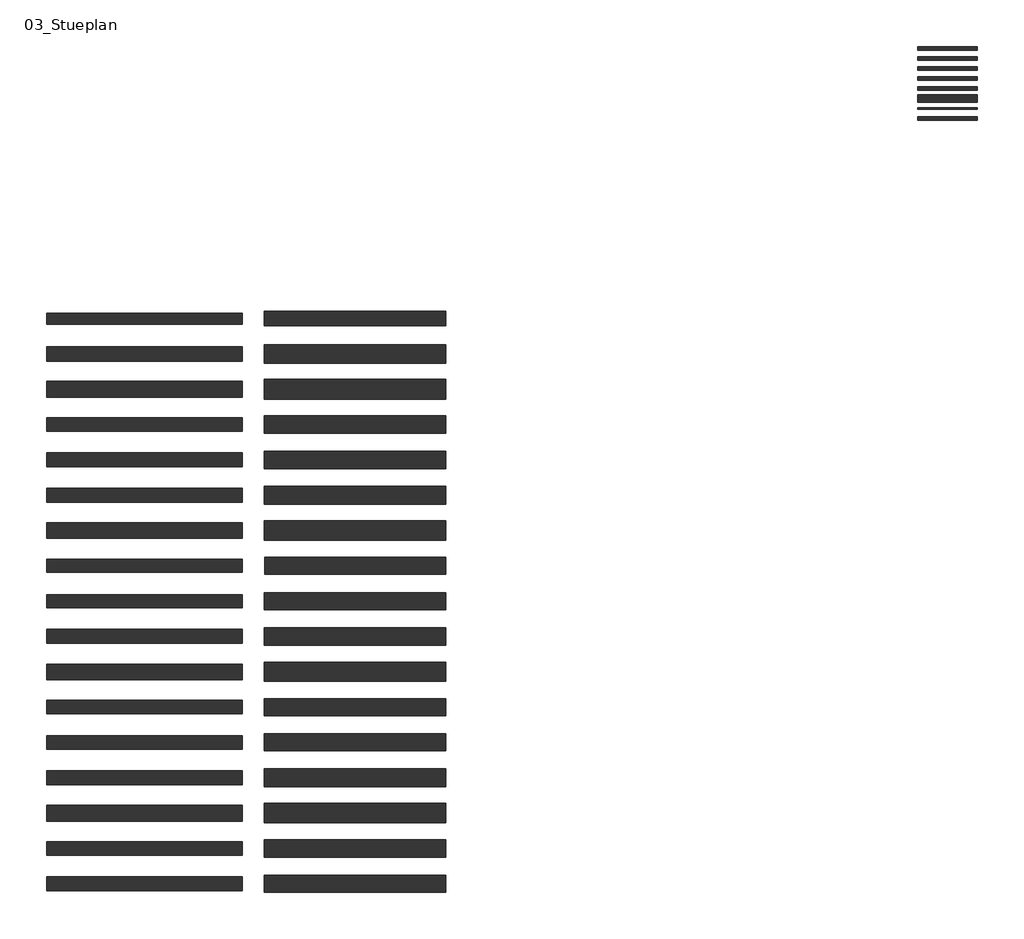
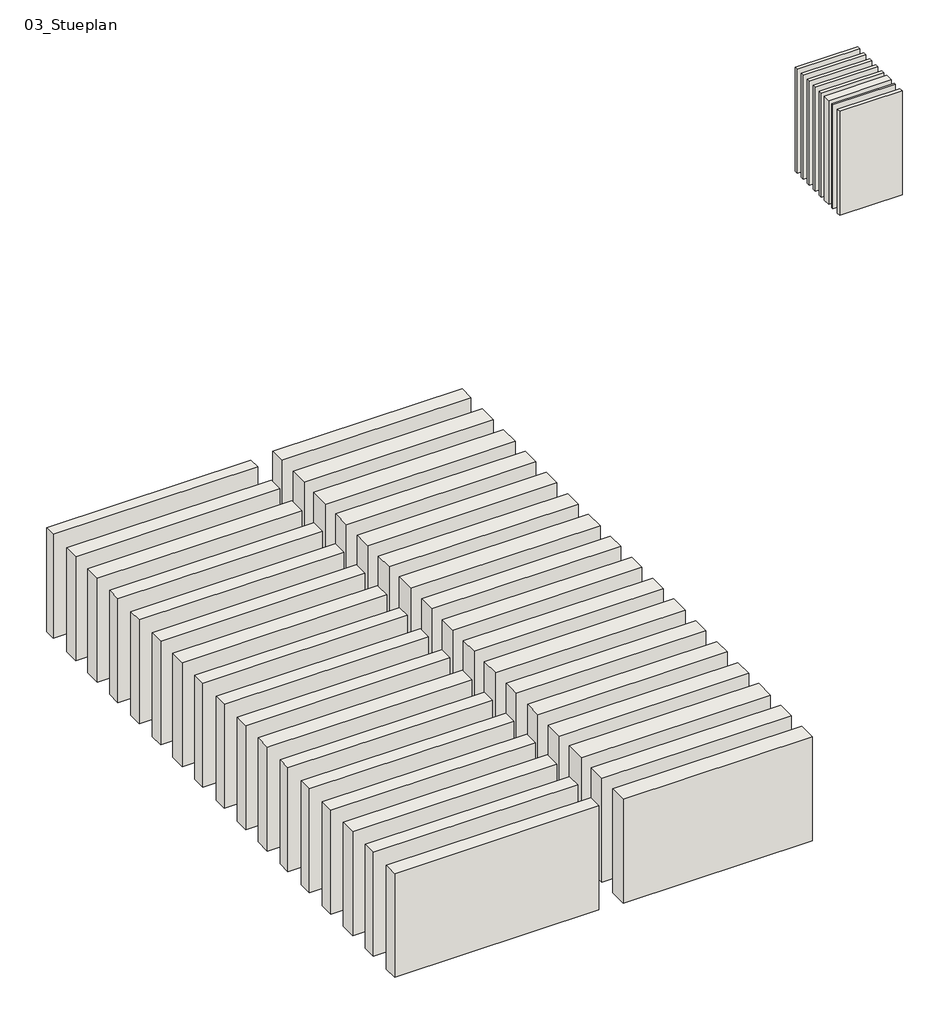
# One storey: 42 walls.
"""IFC4 building model written with IfcOpenShell, lengths in millimetres."""

from ifc_helpers import new_model, si_unit, frame, origin, place, context, project, spatial, polyline, outline, extrude, element, save

model = new_model("IFC4")

# Units and contexts
model_context = context("Model", 3, world=origin())
ifc_project = project(units=[si_unit("LENGTHUNIT", "METRE", prefix="MILLI")], contexts=[model_context])

# Site, building, storey
site = spatial("IfcSite", under=ifc_project)
building = spatial("IfcBuilding", under=site)
storey = spatial("IfcBuildingStorey", under=building, Name="03_Stueplan", Elevation=150.0)

# Walls
placement = place(None, origin())
element("IfcWall", 1, at=placement, inside=storey, context=model_context, shape_type="SweptSolid", body=[
    extrude(outline(polyline([(1547.7783373, 8787.9329967), (-3752.2216627, 8787.9329967), (-3752.2216627, 9184.9329967), (1547.7783373, 9184.9329967), (1547.7783373, 8787.9329967)])), frame((0.0, 0.0, 150.0), z_axis=(0.0, 0.0, 1.0), x_axis=(1.0, 0.0, 0.0)), (0.0, 0.0, 1.0), 2850.0),
])
element("IfcWall", 2, at=placement, inside=storey, context=model_context, shape_type="SweptSolid", body=[
    extrude(outline(polyline([(1547.7783373, 7812.1329967), (-3752.2216627, 7812.1329967), (-3752.2216627, 8248.1329967), (1547.7783373, 8248.1329967), (1547.7783373, 7812.1329967)])), frame((0.0, 0.0, 150.0), z_axis=(0.0, 0.0, 1.0), x_axis=(1.0, 0.0, 0.0)), (0.0, 0.0, 1.0), 2850.0),
])
element("IfcWall", 3, at=placement, inside=storey, context=model_context, shape_type="SweptSolid", body=[
    extrude(outline(polyline([(1547.7783373, 5929.5329967), (-3752.2216627, 5929.5329967), (-3752.2216627, 6305.5329967), (1547.7783373, 6305.5329967), (1547.7783373, 5929.5329967)])), frame((0.0, 0.0, 150.0), z_axis=(0.0, 0.0, 1.0), x_axis=(1.0, 0.0, 0.0)), (0.0, 0.0, 1.0), 2850.0),
])
element("IfcWall", 4, at=placement, inside=storey, context=model_context, shape_type="SweptSolid", body=[
    extrude(outline(polyline([(1547.7783373, 6885.8329967), (-3752.2216627, 6885.8329967), (-3752.2216627, 7261.8329967), (1547.7783373, 7261.8329967), (1547.7783373, 6885.8329967)])), frame((0.0, 0.0, 150.0), z_axis=(0.0, 0.0, 1.0), x_axis=(1.0, 0.0, 0.0)), (0.0, 0.0, 1.0), 2850.0),
])
element("IfcWall", 5, at=placement, inside=storey, context=model_context, shape_type="SweptSolid", body=[
    extrude(outline(polyline([(1547.7783373, 4971.4829967), (-3752.2216627, 4971.4829967), (-3752.2216627, 5350.9829967), (1547.7783373, 5350.9829967), (1547.7783373, 4971.4829967)])), frame((0.0, 0.0, 150.0), z_axis=(0.0, 0.0, 1.0), x_axis=(1.0, 0.0, 0.0)), (0.0, 0.0, 1.0), 2850.0),
])
element("IfcWall", 6, at=placement, inside=storey, context=model_context, shape_type="SweptSolid", body=[
    extrude(outline(polyline([(1547.7783373, 3995.6829967), (-3752.2216627, 3995.6829967), (-3752.2216627, 4414.1829967), (1547.7783373, 4414.1829967), (1547.7783373, 3995.6829967)])), frame((0.0, 0.0, 150.0), z_axis=(0.0, 0.0, 1.0), x_axis=(1.0, 0.0, 0.0)), (0.0, 0.0, 1.0), 2850.0),
])
element("IfcWall", 7, at=placement, inside=storey, context=model_context, shape_type="SweptSolid", body=[
    extrude(outline(polyline([(1547.7783373, 2113.0829967), (-3752.2216627, 2113.0829967), (-3752.2216627, 2471.5829967), (1547.7783373, 2471.5829967), (1547.7783373, 2113.0829967)])), frame((0.0, 0.0, 150.0), z_axis=(0.0, 0.0, 1.0), x_axis=(1.0, 0.0, 0.0)), (0.0, 0.0, 1.0), 2850.0),
])
element("IfcWall", 8, at=placement, inside=storey, context=model_context, shape_type="SweptSolid", body=[
    extrude(outline(polyline([(1547.7783373, 3069.3829967), (-3752.2216627, 3069.3829967), (-3752.2216627, 3427.8829967), (1547.7783373, 3427.8829967), (1547.7783373, 3069.3829967)])), frame((0.0, 0.0, 150.0), z_axis=(0.0, 0.0, 1.0), x_axis=(1.0, 0.0, 0.0)), (0.0, 0.0, 1.0), 2850.0),
])
element("IfcWall", 9, at=placement, inside=storey, context=model_context, shape_type="SweptSolid", body=[
    extrude(outline(polyline([(1547.7783373, 1146.2829967), (-3752.2216627, 1146.2829967), (-3752.2216627, 1525.7829967), (1547.7783373, 1525.7829967), (1547.7783373, 1146.2829967)])), frame((0.0, 0.0, 150.0), z_axis=(0.0, 0.0, 1.0), x_axis=(1.0, 0.0, 0.0)), (0.0, 0.0, 1.0), 2850.0),
])
element("IfcWall", 10, at=placement, inside=storey, context=model_context, shape_type="SweptSolid", body=[
    extrude(outline(polyline([(1547.7783373, 170.4829967), (-3752.2216627, 170.4829967), (-3752.2216627, 588.9829967), (1547.7783373, 588.9829967), (1547.7783373, 170.4829967)])), frame((0.0, 0.0, 150.0), z_axis=(0.0, 0.0, 1.0), x_axis=(1.0, 0.0, 0.0)), (0.0, 0.0, 1.0), 2850.0),
])
element("IfcWall", 11, at=placement, inside=storey, context=model_context, shape_type="SweptSolid", body=[
    extrude(outline(polyline([(1547.7783373, -1712.1170033), (-3752.2216627, -1712.1170033), (-3752.2216627, -1353.6170033), (1547.7783373, -1353.6170033), (1547.7783373, -1712.1170033)])), frame((0.0, 0.0, 150.0), z_axis=(0.0, 0.0, 1.0), x_axis=(1.0, 0.0, 0.0)), (0.0, 0.0, 1.0), 2850.0),
])
element("IfcWall", 12, at=placement, inside=storey, context=model_context, shape_type="SweptSolid", body=[
    extrude(outline(polyline([(1547.7783373, -755.8170033), (-3752.2216627, -755.8170033), (-3752.2216627, -397.3170033), (1547.7783373, -397.3170033), (1547.7783373, -755.8170033)])), frame((0.0, 0.0, 150.0), z_axis=(0.0, 0.0, 1.0), x_axis=(1.0, 0.0, 0.0)), (0.0, 0.0, 1.0), 2850.0),
])
element("IfcWall", 13, at=placement, inside=storey, context=model_context, shape_type="SweptSolid", body=[
    extrude(outline(polyline([(1547.7783373, -2685.1670033), (-3752.2216627, -2685.1670033), (-3752.2216627, -2293.1670033), (1547.7783373, -2293.1670033), (1547.7783373, -2685.1670033)])), frame((0.0, 0.0, 150.0), z_axis=(0.0, 0.0, 1.0), x_axis=(1.0, 0.0, 0.0)), (0.0, 0.0, 1.0), 2850.0),
])
element("IfcWall", 14, at=placement, inside=storey, context=model_context, shape_type="SweptSolid", body=[
    extrude(outline(polyline([(1547.7783373, -3660.9670033), (-3752.2216627, -3660.9670033), (-3752.2216627, -3229.9670033), (1547.7783373, -3229.9670033), (1547.7783373, -3660.9670033)])), frame((0.0, 0.0, 150.0), z_axis=(0.0, 0.0, 1.0), x_axis=(1.0, 0.0, 0.0)), (0.0, 0.0, 1.0), 2850.0),
])
element("IfcWall", 15, at=placement, inside=storey, context=model_context, shape_type="SweptSolid", body=[
    extrude(outline(polyline([(1547.7783373, -5543.5670033), (-3752.2216627, -5543.5670033), (-3752.2216627, -5172.5670033), (1547.7783373, -5172.5670033), (1547.7783373, -5543.5670033)])), frame((0.0, 0.0, 150.0), z_axis=(0.0, 0.0, 1.0), x_axis=(1.0, 0.0, 0.0)), (0.0, 0.0, 1.0), 2850.0),
])
element("IfcWall", 16, at=placement, inside=storey, context=model_context, shape_type="SweptSolid", body=[
    extrude(outline(polyline([(1547.7783373, -4587.2670033), (-3752.2216627, -4587.2670033), (-3752.2216627, -4216.2670033), (1547.7783373, -4216.2670033), (1547.7783373, -4587.2670033)])), frame((0.0, 0.0, 150.0), z_axis=(0.0, 0.0, 1.0), x_axis=(1.0, 0.0, 0.0)), (0.0, 0.0, 1.0), 2850.0),
])
element("IfcWall", 17, at=placement, inside=storey, context=model_context, shape_type="SweptSolid", body=[
    extrude(outline(polyline([(7056.4546722, 8737.9329967), (2146.4546722, 8737.9329967), (2146.4546722, 9234.9329967), (7056.4546722, 9234.9329967), (7056.4546722, 8737.9329967)])), frame((0.0, 0.0, 150.0), z_axis=(0.0, 0.0, 1.0), x_axis=(1.0, 0.0, 0.0)), (0.0, 0.0, 1.0), 2850.0),
])
element("IfcWall", 18, at=placement, inside=storey, context=model_context, shape_type="SweptSolid", body=[
    extrude(outline(polyline([(7056.4546722, 7762.1329967), (2146.4546722, 7762.1329967), (2146.4546722, 8298.1329967), (7056.4546722, 8298.1329967), (7056.4546722, 7762.1329967)])), frame((0.0, 0.0, 150.0), z_axis=(0.0, 0.0, 1.0), x_axis=(1.0, 0.0, 0.0)), (0.0, 0.0, 1.0), 2850.0),
])
element("IfcWall", 19, at=placement, inside=storey, context=model_context, shape_type="SweptSolid", body=[
    extrude(outline(polyline([(7056.4546722, 5879.5329967), (2146.4546722, 5879.5329967), (2146.4546722, 6355.5329967), (7056.4546722, 6355.5329967), (7056.4546722, 5879.5329967)])), frame((0.0, 0.0, 150.0), z_axis=(0.0, 0.0, 1.0), x_axis=(1.0, 0.0, 0.0)), (0.0, 0.0, 1.0), 2850.0),
])
element("IfcWall", 20, at=placement, inside=storey, context=model_context, shape_type="SweptSolid", body=[
    extrude(outline(polyline([(7056.4546722, 6835.8329967), (2146.4546722, 6835.8329967), (2146.4546722, 7311.8329967), (7056.4546722, 7311.8329967), (7056.4546722, 6835.8329967)])), frame((0.0, 0.0, 150.0), z_axis=(0.0, 0.0, 1.0), x_axis=(1.0, 0.0, 0.0)), (0.0, 0.0, 1.0), 2850.0),
])
element("IfcWall", 21, at=placement, inside=storey, context=model_context, shape_type="SweptSolid", body=[
    extrude(outline(polyline([(7056.4546722, 4921.4829967), (2146.4546722, 4921.4829967), (2146.4546722, 5400.9829967), (7056.4546722, 5400.9829967), (7056.4546722, 4921.4829967)])), frame((0.0, 0.0, 150.0), z_axis=(0.0, 0.0, 1.0), x_axis=(1.0, 0.0, 0.0)), (0.0, 0.0, 1.0), 2850.0),
])
element("IfcWall", 22, at=placement, inside=storey, context=model_context, shape_type="SweptSolid", body=[
    extrude(outline(polyline([(7056.4546722, 3945.6829967), (2146.4546722, 3945.6829967), (2146.4546722, 4464.1829967), (7056.4546722, 4464.1829967), (7056.4546722, 3945.6829967)])), frame((0.0, 0.0, 150.0), z_axis=(0.0, 0.0, 1.0), x_axis=(1.0, 0.0, 0.0)), (0.0, 0.0, 1.0), 2850.0),
])
element("IfcWall", 23, at=placement, inside=storey, context=model_context, shape_type="SweptSolid", body=[
    extrude(outline(polyline([(7056.4546722, 2063.0829967), (2146.4546722, 2063.0829967), (2146.4546722, 2521.5829967), (7056.4546722, 2521.5829967), (7056.4546722, 2063.0829967)])), frame((0.0, 0.0, 150.0), z_axis=(0.0, 0.0, 1.0), x_axis=(1.0, 0.0, 0.0)), (0.0, 0.0, 1.0), 2850.0),
])
element("IfcWall", 24, at=placement, inside=storey, context=model_context, shape_type="SweptSolid", body=[
    extrude(outline(polyline([(7056.4546722, 3019.3829967), (2156.4546722, 3019.3829967), (2156.4546722, 3477.8829967), (7056.4546722, 3477.8829967), (7056.4546722, 3019.3829967)])), frame((0.0, 0.0, 150.0), z_axis=(0.0, 0.0, 1.0), x_axis=(1.0, 0.0, 0.0)), (0.0, 0.0, 1.0), 2850.0),
])
element("IfcWall", 25, at=placement, inside=storey, context=model_context, shape_type="SweptSolid", body=[
    extrude(outline(polyline([(7056.4546722, 1096.2829967), (2146.4546722, 1096.2829967), (2146.4546722, 1575.7829967), (7056.4546722, 1575.7829967), (7056.4546722, 1096.2829967)])), frame((0.0, 0.0, 150.0), z_axis=(0.0, 0.0, 1.0), x_axis=(1.0, 0.0, 0.0)), (0.0, 0.0, 1.0), 2850.0),
])
element("IfcWall", 26, at=placement, inside=storey, context=model_context, shape_type="SweptSolid", body=[
    extrude(outline(polyline([(7056.4546722, 120.4829967), (2146.4546722, 120.4829967), (2146.4546722, 638.9829967), (7056.4546722, 638.9829967), (7056.4546722, 120.4829967)])), frame((0.0, 0.0, 150.0), z_axis=(0.0, 0.0, 1.0), x_axis=(1.0, 0.0, 0.0)), (0.0, 0.0, 1.0), 2850.0),
])
element("IfcWall", 27, at=placement, inside=storey, context=model_context, shape_type="SweptSolid", body=[
    extrude(outline(polyline([(7056.4546722, -1762.1170033), (2146.4546722, -1762.1170033), (2146.4546722, -1303.6170033), (7056.4546722, -1303.6170033), (7056.4546722, -1762.1170033)])), frame((0.0, 0.0, 150.0), z_axis=(0.0, 0.0, 1.0), x_axis=(1.0, 0.0, 0.0)), (0.0, 0.0, 1.0), 2850.0),
])
element("IfcWall", 28, at=placement, inside=storey, context=model_context, shape_type="SweptSolid", body=[
    extrude(outline(polyline([(7056.4546722, -805.8170033), (2146.4546722, -805.8170033), (2146.4546722, -347.3170033), (7056.4546722, -347.3170033), (7056.4546722, -805.8170033)])), frame((0.0, 0.0, 150.0), z_axis=(0.0, 0.0, 1.0), x_axis=(1.0, 0.0, 0.0)), (0.0, 0.0, 1.0), 2850.0),
])
element("IfcWall", 29, at=placement, inside=storey, context=model_context, shape_type="SweptSolid", body=[
    extrude(outline(polyline([(7056.4546722, -2735.1670033), (2146.4546722, -2735.1670033), (2146.4546722, -2243.1670033), (7056.4546722, -2243.1670033), (7056.4546722, -2735.1670033)])), frame((0.0, 0.0, 150.0), z_axis=(0.0, 0.0, 1.0), x_axis=(1.0, 0.0, 0.0)), (0.0, 0.0, 1.0), 2850.0),
])
element("IfcWall", 30, at=placement, inside=storey, context=model_context, shape_type="SweptSolid", body=[
    extrude(outline(polyline([(7056.4546722, -3710.9670033), (2146.4546722, -3710.9670033), (2146.4546722, -3179.9670033), (7056.4546722, -3179.9670033), (7056.4546722, -3710.9670033)])), frame((0.0, 0.0, 150.0), z_axis=(0.0, 0.0, 1.0), x_axis=(1.0, 0.0, 0.0)), (0.0, 0.0, 1.0), 2850.0),
])
element("IfcWall", 31, at=placement, inside=storey, context=model_context, shape_type="SweptSolid", body=[
    extrude(outline(polyline([(7056.4546722, -5593.5670033), (2146.4546722, -5593.5670033), (2146.4546722, -5122.5670033), (7056.4546722, -5122.5670033), (7056.4546722, -5593.5670033)])), frame((0.0, 0.0, 150.0), z_axis=(0.0, 0.0, 1.0), x_axis=(1.0, 0.0, 0.0)), (0.0, 0.0, 1.0), 2850.0),
])
element("IfcWall", 32, at=placement, inside=storey, context=model_context, shape_type="SweptSolid", body=[
    extrude(outline(polyline([(7056.4546722, -4637.2670033), (2146.4546722, -4637.2670033), (2146.4546722, -4166.2670033), (7056.4546722, -4166.2670033), (7056.4546722, -4637.2670033)])), frame((0.0, 0.0, 150.0), z_axis=(0.0, 0.0, 1.0), x_axis=(1.0, 0.0, 0.0)), (0.0, 0.0, 1.0), 2850.0),
])
element("IfcWall", 33, at=placement, inside=storey, context=model_context, shape_type="SweptSolid", body=[
    extrude(outline(polyline([(21450.9393398, 16936.0774961), (19830.9393398, 16936.0774961), (19830.9393398, 17036.0774961), (21450.9393398, 17036.0774961), (21450.9393398, 16936.0774961)])), frame((0.0, 0.0, 150.0), z_axis=(0.0, 0.0, 1.0), x_axis=(1.0, 0.0, 0.0)), (0.0, 0.0, 1.0), 2850.0),
])
element("IfcWall", 34, at=placement, inside=storey, context=model_context, shape_type="SweptSolid", body=[
    extrude(outline(polyline([(21450.9393398, 15800.3632104), (19830.9393398, 15800.3632104), (19830.9393398, 16000.3632104), (21450.9393398, 16000.3632104), (21450.9393398, 15800.3632104)])), frame((0.0, 0.0, 150.0), z_axis=(0.0, 0.0, 1.0), x_axis=(1.0, 0.0, 0.0)), (0.0, 0.0, 1.0), 2850.0),
])
element("IfcWall", 35, at=placement, inside=storey, context=model_context, shape_type="SweptSolid", body=[
    extrude(outline(polyline([(21450.9393398, 15307.5060676), (19830.9393398, 15307.5060676), (19830.9393398, 15407.5060676), (21450.9393398, 15407.5060676), (21450.9393398, 15307.5060676)])), frame((0.0, 0.0, 150.0), z_axis=(0.0, 0.0, 1.0), x_axis=(1.0, 0.0, 0.0)), (0.0, 0.0, 1.0), 2850.0),
])
element("IfcWall", 36, at=placement, inside=storey, context=model_context, shape_type="SweptSolid", body=[
    extrude(outline(polyline([(1547.7783373, 9792.4329967), (-3752.2216627, 9792.4329967), (-3752.2216627, 10092.4329967), (1547.7783373, 10092.4329967), (1547.7783373, 9792.4329967)])), frame((0.0, 0.0, 150.0), z_axis=(0.0, 0.0, 1.0), x_axis=(1.0, 0.0, 0.0)), (0.0, 0.0, 1.0), 2850.0),
])
element("IfcWall", 37, at=placement, inside=storey, context=model_context, shape_type="SweptSolid", body=[
    extrude(outline(polyline([(7056.4546722, 9742.4329967), (2146.4546722, 9742.4329967), (2146.4546722, 10142.4329967), (7056.4546722, 10142.4329967), (7056.4546722, 9742.4329967)])), frame((0.0, 0.0, 150.0), z_axis=(0.0, 0.0, 1.0), x_axis=(1.0, 0.0, 0.0)), (0.0, 0.0, 1.0), 2850.0),
])
element("IfcWall", 38, ObjectType="Clay Plaster", at=placement, inside=storey, context=model_context, shape_type="SweptSolid", body=[
    extrude(outline(polyline([(21450.9393398, 17207.5060676), (19830.9393398, 17207.5060676), (19830.9393398, 17307.5060676), (21450.9393398, 17307.5060676), (21450.9393398, 17207.5060676)])), frame((0.0, 0.0, 150.0), z_axis=(0.0, 0.0, 1.0), x_axis=(1.0, 0.0, 0.0)), (0.0, 0.0, 1.0), 2850.0),
])
element("IfcWall", 39, ObjectType="Gypsum Plaster", at=placement, inside=storey, context=model_context, shape_type="SweptSolid", body=[
    extrude(outline(polyline([(21450.9393398, 16393.2203533), (19830.9393398, 16393.2203533), (19830.9393398, 16493.2203533), (21450.9393398, 16493.2203533), (21450.9393398, 16393.2203533)])), frame((0.0, 0.0, 150.0), z_axis=(0.0, 0.0, 1.0), x_axis=(1.0, 0.0, 0.0)), (0.0, 0.0, 1.0), 2850.0),
])
element("IfcWall", 40, ObjectType="Plasterboard", at=placement, inside=storey, context=model_context, shape_type="SweptSolid", body=[
    extrude(outline(polyline([(21450.9393398, 16664.6489247), (19830.9393398, 16664.6489247), (19830.9393398, 16764.6489247), (21450.9393398, 16764.6489247), (21450.9393398, 16664.6489247)])), frame((0.0, 0.0, 150.0), z_axis=(0.0, 0.0, 1.0), x_axis=(1.0, 0.0, 0.0)), (0.0, 0.0, 1.0), 2850.0),
])
element("IfcWall", 41, ObjectType="Render", at=placement, inside=storey, context=model_context, shape_type="SweptSolid", body=[
    extrude(outline(polyline([(21450.9393398, 16121.7917819), (19830.9393398, 16121.7917819), (19830.9393398, 16221.7917819), (21450.9393398, 16221.7917819), (21450.9393398, 16121.7917819)])), frame((0.0, 0.0, 150.0), z_axis=(0.0, 0.0, 1.0), x_axis=(1.0, 0.0, 0.0)), (0.0, 0.0, 1.0), 2850.0),
])
element("IfcWall", 42, ObjectType="Ventilated facade", at=placement, inside=storey, context=model_context, shape_type="SweptSolid", body=[
    extrude(outline(polyline([(21450.9393398, 15605.934639), (19830.9393398, 15605.934639), (19830.9393398, 15651.934639), (21450.9393398, 15651.934639), (21450.9393398, 15605.934639)])), frame((0.0, 0.0, 150.0), z_axis=(0.0, 0.0, 1.0), x_axis=(1.0, 0.0, 0.0)), (0.0, 0.0, 1.0), 2850.0),
])

save(model, "model.ifc")
